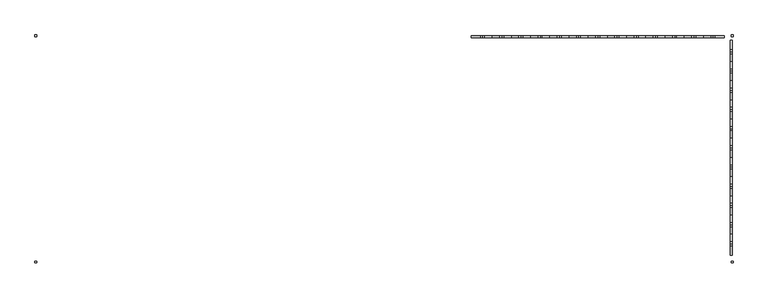
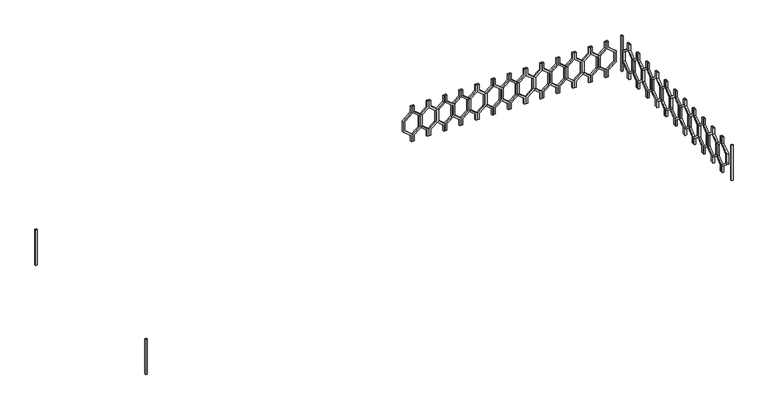
"""IFC4 building model written with IfcOpenShell, lengths in millimetres: railing geometry."""

from ifc_helpers import new_model, si_unit, frame, origin, place, context, project, spatial, polyline, outline, extrude, source, transform, mapped, element, save


def railing_ead4fba6(model_context):
    return source(origin(), model_context, "Body", "SweptSolid", [
        extrude(outline(polyline([(22060.0, -43314.9887159), (22060.0, -43334.9887159), (21980.0, -43334.9887159), (21900.0, -43433.9836653), (21760.0, -43433.9836653), (21680.0, -43334.9887159), (21600.0, -43334.9887159), (21600.0, -43314.9887159), (21689.551845, -43314.9887159), (21769.551845, -43413.9836653), (21890.448155, -43413.9836653), (21970.448155, -43314.9887159), (22060.0, -43314.9887159)])), frame((0.0, 3248.1079487, 0.0), z_axis=(0.0, 1.0, 0.0), x_axis=(0.0, 0.0, 1.0)), (0.0, 0.0, 1.0), 20.0),
        extrude(outline(polyline([(22060.0, -43314.9887159), (21970.448155, -43314.9887159), (21890.448155, -43215.9937665), (21769.551845, -43215.9937665), (21689.551845, -43314.9887159), (21600.0, -43314.9887159), (21600.0, -43294.9887159), (21680.0, -43294.9887159), (21760.0, -43195.9937665), (21900.0, -43195.9937665), (21980.0, -43294.9887159), (22060.0, -43294.9887159), (22060.0, -43314.9887159)])), frame((0.0, 3248.1079487, 0.0), z_axis=(0.0, 1.0, 0.0), x_axis=(0.0, 0.0, 1.0)), (0.0, 0.0, 1.0), 20.0),
        extrude(outline(polyline([(22060.0, -43114.9887159), (22060.0, -43134.9887159), (21980.0, -43134.9887159), (21900.0, -43233.9836653), (21760.0, -43233.9836653), (21680.0, -43134.9887159), (21600.0, -43134.9887159), (21600.0, -43114.9887159), (21689.551845, -43114.9887159), (21769.551845, -43213.9836653), (21890.448155, -43213.9836653), (21970.448155, -43114.9887159), (22060.0, -43114.9887159)])), frame((0.0, 3248.1079487, 0.0), z_axis=(0.0, 1.0, 0.0), x_axis=(0.0, 0.0, 1.0)), (0.0, 0.0, 1.0), 20.0),
        extrude(outline(polyline([(22060.0, -43114.9887159), (21970.448155, -43114.9887159), (21890.448155, -43015.9937665), (21769.551845, -43015.9937665), (21689.551845, -43114.9887159), (21600.0, -43114.9887159), (21600.0, -43094.9887159), (21680.0, -43094.9887159), (21760.0, -42995.9937665), (21900.0, -42995.9937665), (21980.0, -43094.9887159), (22060.0, -43094.9887159), (22060.0, -43114.9887159)])), frame((0.0, 3248.1079487, 0.0), z_axis=(0.0, 1.0, 0.0), x_axis=(0.0, 0.0, 1.0)), (0.0, 0.0, 1.0), 20.0),
        extrude(outline(polyline([(22060.0, -42914.9887159), (22060.0, -42934.9887159), (21980.0, -42934.9887159), (21900.0, -43033.9836653), (21760.0, -43033.9836653), (21680.0, -42934.9887159), (21600.0, -42934.9887159), (21600.0, -42914.9887159), (21689.551845, -42914.9887159), (21769.551845, -43013.9836653), (21890.448155, -43013.9836653), (21970.448155, -42914.9887159), (22060.0, -42914.9887159)])), frame((0.0, 3248.1079487, 0.0), z_axis=(0.0, 1.0, 0.0), x_axis=(0.0, 0.0, 1.0)), (0.0, 0.0, 1.0), 20.0),
        extrude(outline(polyline([(22060.0, -42914.9887159), (21970.448155, -42914.9887159), (21890.448155, -42815.9937665), (21769.551845, -42815.9937665), (21689.551845, -42914.9887159), (21600.0, -42914.9887159), (21600.0, -42894.9887159), (21680.0, -42894.9887159), (21760.0, -42795.9937665), (21900.0, -42795.9937665), (21980.0, -42894.9887159), (22060.0, -42894.9887159), (22060.0, -42914.9887159)])), frame((0.0, 3248.1079487, 0.0), z_axis=(0.0, 1.0, 0.0), x_axis=(0.0, 0.0, 1.0)), (0.0, 0.0, 1.0), 20.0),
        extrude(outline(polyline([(22060.0, -42714.9887159), (22060.0, -42734.9887159), (21980.0, -42734.9887159), (21900.0, -42833.9836653), (21760.0, -42833.9836653), (21680.0, -42734.9887159), (21600.0, -42734.9887159), (21600.0, -42714.9887159), (21689.551845, -42714.9887159), (21769.551845, -42813.9836653), (21890.448155, -42813.9836653), (21970.448155, -42714.9887159), (22060.0, -42714.9887159)])), frame((0.0, 3248.1079487, 0.0), z_axis=(0.0, 1.0, 0.0), x_axis=(0.0, 0.0, 1.0)), (0.0, 0.0, 1.0), 20.0),
        extrude(outline(polyline([(22060.0, -42714.9887159), (21970.448155, -42714.9887159), (21890.448155, -42615.9937665), (21769.551845, -42615.9937665), (21689.551845, -42714.9887159), (21600.0, -42714.9887159), (21600.0, -42694.9887159), (21680.0, -42694.9887159), (21760.0, -42595.9937665), (21900.0, -42595.9937665), (21980.0, -42694.9887159), (22060.0, -42694.9887159), (22060.0, -42714.9887159)])), frame((0.0, 3248.1079487, 0.0), z_axis=(0.0, 1.0, 0.0), x_axis=(0.0, 0.0, 1.0)), (0.0, 0.0, 1.0), 20.0),
        extrude(outline(polyline([(22060.0, -42514.9887159), (22060.0, -42534.9887159), (21980.0, -42534.9887159), (21900.0, -42633.9836653), (21760.0, -42633.9836653), (21680.0, -42534.9887159), (21600.0, -42534.9887159), (21600.0, -42514.9887159), (21689.551845, -42514.9887159), (21769.551845, -42613.9836653), (21890.448155, -42613.9836653), (21970.448155, -42514.9887159), (22060.0, -42514.9887159)])), frame((0.0, 3248.1079487, 0.0), z_axis=(0.0, 1.0, 0.0), x_axis=(0.0, 0.0, 1.0)), (0.0, 0.0, 1.0), 20.0),
        extrude(outline(polyline([(22060.0, -42514.9887159), (21970.448155, -42514.9887159), (21890.448155, -42415.9937665), (21769.551845, -42415.9937665), (21689.551845, -42514.9887159), (21600.0, -42514.9887159), (21600.0, -42494.9887159), (21680.0, -42494.9887159), (21760.0, -42395.9937665), (21900.0, -42395.9937665), (21980.0, -42494.9887159), (22060.0, -42494.9887159), (22060.0, -42514.9887159)])), frame((0.0, 3248.1079487, 0.0), z_axis=(0.0, 1.0, 0.0), x_axis=(0.0, 0.0, 1.0)), (0.0, 0.0, 1.0), 20.0),
        extrude(outline(polyline([(22060.0, -42314.9887159), (22060.0, -42334.9887159), (21980.0, -42334.9887159), (21900.0, -42433.9836653), (21760.0, -42433.9836653), (21680.0, -42334.9887159), (21600.0, -42334.9887159), (21600.0, -42314.9887159), (21689.551845, -42314.9887159), (21769.551845, -42413.9836653), (21890.448155, -42413.9836653), (21970.448155, -42314.9887159), (22060.0, -42314.9887159)])), frame((0.0, 3248.1079487, 0.0), z_axis=(0.0, 1.0, 0.0), x_axis=(0.0, 0.0, 1.0)), (0.0, 0.0, 1.0), 20.0),
        extrude(outline(polyline([(22060.0, -42314.9887159), (21970.448155, -42314.9887159), (21890.448155, -42215.9937665), (21769.551845, -42215.9937665), (21689.551845, -42314.9887159), (21600.0, -42314.9887159), (21600.0, -42294.9887159), (21680.0, -42294.9887159), (21760.0, -42195.9937665), (21900.0, -42195.9937665), (21980.0, -42294.9887159), (22060.0, -42294.9887159), (22060.0, -42314.9887159)])), frame((0.0, 3248.1079487, 0.0), z_axis=(0.0, 1.0, 0.0), x_axis=(0.0, 0.0, 1.0)), (0.0, 0.0, 1.0), 20.0),
        extrude(outline(polyline([(22060.0, -42114.9887159), (22060.0, -42134.9887159), (21980.0, -42134.9887159), (21900.0, -42233.9836653), (21760.0, -42233.9836653), (21680.0, -42134.9887159), (21600.0, -42134.9887159), (21600.0, -42114.9887159), (21689.551845, -42114.9887159), (21769.551845, -42213.9836653), (21890.448155, -42213.9836653), (21970.448155, -42114.9887159), (22060.0, -42114.9887159)])), frame((0.0, 3248.1079487, 0.0), z_axis=(0.0, 1.0, 0.0), x_axis=(0.0, 0.0, 1.0)), (0.0, 0.0, 1.0), 20.0),
        extrude(outline(polyline([(22060.0, -42114.9887159), (21970.448155, -42114.9887159), (21890.448155, -42015.9937665), (21769.551845, -42015.9937665), (21689.551845, -42114.9887159), (21600.0, -42114.9887159), (21600.0, -42094.9887159), (21680.0, -42094.9887159), (21760.0, -41995.9937665), (21900.0, -41995.9937665), (21980.0, -42094.9887159), (22060.0, -42094.9887159), (22060.0, -42114.9887159)])), frame((0.0, 3248.1079487, 0.0), z_axis=(0.0, 1.0, 0.0), x_axis=(0.0, 0.0, 1.0)), (0.0, 0.0, 1.0), 20.0),
        extrude(outline(polyline([(22060.0, -41914.9887159), (22060.0, -41934.9887159), (21980.0, -41934.9887159), (21900.0, -42033.9836653), (21760.0, -42033.9836653), (21680.0, -41934.9887159), (21600.0, -41934.9887159), (21600.0, -41914.9887159), (21689.551845, -41914.9887159), (21769.551845, -42013.9836653), (21890.448155, -42013.9836653), (21970.448155, -41914.9887159), (22060.0, -41914.9887159)])), frame((0.0, 3248.1079487, 0.0), z_axis=(0.0, 1.0, 0.0), x_axis=(0.0, 0.0, 1.0)), (0.0, 0.0, 1.0), 20.0),
        extrude(outline(polyline([(22060.0, -41914.9887159), (21970.448155, -41914.9887159), (21890.448155, -41815.9937665), (21769.551845, -41815.9937665), (21689.551845, -41914.9887159), (21600.0, -41914.9887159), (21600.0, -41894.9887159), (21680.0, -41894.9887159), (21760.0, -41795.9937665), (21900.0, -41795.9937665), (21980.0, -41894.9887159), (22060.0, -41894.9887159), (22060.0, -41914.9887159)])), frame((0.0, 3248.1079487, 0.0), z_axis=(0.0, 1.0, 0.0), x_axis=(0.0, 0.0, 1.0)), (0.0, 0.0, 1.0), 20.0),
        extrude(outline(polyline([(22060.0, -41714.9887159), (22060.0, -41734.9887159), (21980.0, -41734.9887159), (21900.0, -41833.9836653), (21760.0, -41833.9836653), (21680.0, -41734.9887159), (21600.0, -41734.9887159), (21600.0, -41714.9887159), (21689.551845, -41714.9887159), (21769.551845, -41813.9836653), (21890.448155, -41813.9836653), (21970.448155, -41714.9887159), (22060.0, -41714.9887159)])), frame((0.0, 3248.1079487, 0.0), z_axis=(0.0, 1.0, 0.0), x_axis=(0.0, 0.0, 1.0)), (0.0, 0.0, 1.0), 20.0),
        extrude(outline(polyline([(22060.0, -41714.9887159), (21970.448155, -41714.9887159), (21890.448155, -41615.9937665), (21769.551845, -41615.9937665), (21689.551845, -41714.9887159), (21600.0, -41714.9887159), (21600.0, -41694.9887159), (21680.0, -41694.9887159), (21760.0, -41595.9937665), (21900.0, -41595.9937665), (21980.0, -41694.9887159), (22060.0, -41694.9887159), (22060.0, -41714.9887159)])), frame((0.0, 3248.1079487, 0.0), z_axis=(0.0, 1.0, 0.0), x_axis=(0.0, 0.0, 1.0)), (0.0, 0.0, 1.0), 20.0),
        extrude(outline(polyline([(22060.0, -41514.9887159), (22060.0, -41534.9887159), (21980.0, -41534.9887159), (21900.0, -41633.9836653), (21760.0, -41633.9836653), (21680.0, -41534.9887159), (21600.0, -41534.9887159), (21600.0, -41514.9887159), (21689.551845, -41514.9887159), (21769.551845, -41613.9836653), (21890.448155, -41613.9836653), (21970.448155, -41514.9887159), (22060.0, -41514.9887159)])), frame((0.0, 3248.1079487, 0.0), z_axis=(0.0, 1.0, 0.0), x_axis=(0.0, 0.0, 1.0)), (0.0, 0.0, 1.0), 20.0),
        extrude(outline(polyline([(22060.0, -41514.9887159), (21970.448155, -41514.9887159), (21890.448155, -41415.9937665), (21769.551845, -41415.9937665), (21689.551845, -41514.9887159), (21600.0, -41514.9887159), (21600.0, -41494.9887159), (21680.0, -41494.9887159), (21760.0, -41395.9937665), (21900.0, -41395.9937665), (21980.0, -41494.9887159), (22060.0, -41494.9887159), (22060.0, -41514.9887159)])), frame((0.0, 3248.1079487, 0.0), z_axis=(0.0, 1.0, 0.0), x_axis=(0.0, 0.0, 1.0)), (0.0, 0.0, 1.0), 20.0),
        extrude(outline(polyline([(22060.0, -41314.9887159), (22060.0, -41334.9887159), (21980.0, -41334.9887159), (21900.0, -41433.9836653), (21760.0, -41433.9836653), (21680.0, -41334.9887159), (21600.0, -41334.9887159), (21600.0, -41314.9887159), (21689.551845, -41314.9887159), (21769.551845, -41413.9836653), (21890.448155, -41413.9836653), (21970.448155, -41314.9887159), (22060.0, -41314.9887159)])), frame((0.0, 3248.1079487, 0.0), z_axis=(0.0, 1.0, 0.0), x_axis=(0.0, 0.0, 1.0)), (0.0, 0.0, 1.0), 20.0),
        extrude(outline(polyline([(22060.0, -41314.9887159), (21970.448155, -41314.9887159), (21890.448155, -41215.9937665), (21769.551845, -41215.9937665), (21689.551845, -41314.9887159), (21600.0, -41314.9887159), (21600.0, -41294.9887159), (21680.0, -41294.9887159), (21760.0, -41195.9937665), (21900.0, -41195.9937665), (21980.0, -41294.9887159), (22060.0, -41294.9887159), (22060.0, -41314.9887159)])), frame((0.0, 3248.1079487, 0.0), z_axis=(0.0, 1.0, 0.0), x_axis=(0.0, 0.0, 1.0)), (0.0, 0.0, 1.0), 20.0),
        extrude(outline(polyline([(22060.0, -41114.9887159), (22060.0, -41134.9887159), (21980.0, -41134.9887159), (21900.0, -41233.9836653), (21760.0, -41233.9836653), (21680.0, -41134.9887159), (21600.0, -41134.9887159), (21600.0, -41114.9887159), (21689.551845, -41114.9887159), (21769.551845, -41213.9836653), (21890.448155, -41213.9836653), (21970.448155, -41114.9887159), (22060.0, -41114.9887159)])), frame((0.0, 3248.1079487, 0.0), z_axis=(0.0, 1.0, 0.0), x_axis=(0.0, 0.0, 1.0)), (0.0, 0.0, 1.0), 20.0),
        extrude(outline(polyline([(22060.0, -41114.9887159), (21970.448155, -41114.9887159), (21890.448155, -41015.9937665), (21769.551845, -41015.9937665), (21689.551845, -41114.9887159), (21600.0, -41114.9887159), (21600.0, -41094.9887159), (21680.0, -41094.9887159), (21760.0, -40995.9937665), (21900.0, -40995.9937665), (21980.0, -41094.9887159), (22060.0, -41094.9887159), (22060.0, -41114.9887159)])), frame((0.0, 3248.1079487, 0.0), z_axis=(0.0, 1.0, 0.0), x_axis=(0.0, 0.0, 1.0)), (0.0, 0.0, 1.0), 20.0),
        extrude(outline(polyline([(22060.0, -40914.9887159), (22060.0, -40934.9887159), (21980.0, -40934.9887159), (21900.0, -41033.9836653), (21760.0, -41033.9836653), (21680.0, -40934.9887159), (21600.0, -40934.9887159), (21600.0, -40914.9887159), (21689.551845, -40914.9887159), (21769.551845, -41013.9836653), (21890.448155, -41013.9836653), (21970.448155, -40914.9887159), (22060.0, -40914.9887159)])), frame((0.0, 3248.1079487, 0.0), z_axis=(0.0, 1.0, 0.0), x_axis=(0.0, 0.0, 1.0)), (0.0, 0.0, 1.0), 20.0),
        extrude(outline(polyline([(22060.0, -40914.9887159), (21970.448155, -40914.9887159), (21890.448155, -40815.9937665), (21769.551845, -40815.9937665), (21689.551845, -40914.9887159), (21600.0, -40914.9887159), (21600.0, -40894.9887159), (21680.0, -40894.9887159), (21760.0, -40795.9937665), (21900.0, -40795.9937665), (21980.0, -40894.9887159), (22060.0, -40894.9887159), (22060.0, -40914.9887159)])), frame((0.0, 3248.1079487, 0.0), z_axis=(0.0, 1.0, 0.0), x_axis=(0.0, 0.0, 1.0)), (0.0, 0.0, 1.0), 20.0),
        extrude(outline(polyline([(3103.1079487, 22060.0), (3123.1079487, 22060.0), (3123.1079487, 21980.0), (3222.102898, 21900.0), (3222.102898, 21760.0), (3123.1079487, 21680.0), (3123.1079487, 21600.0), (3103.1079487, 21600.0), (3103.1079487, 21689.551845), (3202.102898, 21769.551845), (3202.102898, 21890.448155), (3103.1079487, 21970.448155), (3103.1079487, 22060.0)])), frame((-40734.9887159, 0.0, 0.0), z_axis=(1.0, 0.0, 0.0), x_axis=(0.0, 1.0, 0.0)), (0.0, 0.0, 1.0), 20.0),
        extrude(outline(polyline([(3103.1079487, 22060.0), (3103.1079487, 21970.448155), (3004.1129993, 21890.448155), (3004.1129993, 21769.551845), (3103.1079487, 21689.551845), (3103.1079487, 21600.0), (3083.1079487, 21600.0), (3083.1079487, 21680.0), (2984.1129993, 21760.0), (2984.1129993, 21900.0), (3083.1079487, 21980.0), (3083.1079487, 22060.0), (3103.1079487, 22060.0)])), frame((-40734.9887159, 0.0, 0.0), z_axis=(1.0, 0.0, 0.0), x_axis=(0.0, 1.0, 0.0)), (0.0, 0.0, 1.0), 20.0),
        extrude(outline(polyline([(2903.1079487, 22060.0), (2923.1079487, 22060.0), (2923.1079487, 21980.0), (3022.102898, 21900.0), (3022.102898, 21760.0), (2923.1079487, 21680.0), (2923.1079487, 21600.0), (2903.1079487, 21600.0), (2903.1079487, 21689.551845), (3002.102898, 21769.551845), (3002.102898, 21890.448155), (2903.1079487, 21970.448155), (2903.1079487, 22060.0)])), frame((-40734.9887159, 0.0, 0.0), z_axis=(1.0, 0.0, 0.0), x_axis=(0.0, 1.0, 0.0)), (0.0, 0.0, 1.0), 20.0),
        extrude(outline(polyline([(2903.1079487, 22060.0), (2903.1079487, 21970.448155), (2804.1129993, 21890.448155), (2804.1129993, 21769.551845), (2903.1079487, 21689.551845), (2903.1079487, 21600.0), (2883.1079487, 21600.0), (2883.1079487, 21680.0), (2784.1129993, 21760.0), (2784.1129993, 21900.0), (2883.1079487, 21980.0), (2883.1079487, 22060.0), (2903.1079487, 22060.0)])), frame((-40734.9887159, 0.0, 0.0), z_axis=(1.0, 0.0, 0.0), x_axis=(0.0, 1.0, 0.0)), (0.0, 0.0, 1.0), 20.0),
        extrude(outline(polyline([(2703.1079487, 22060.0), (2723.1079487, 22060.0), (2723.1079487, 21980.0), (2822.102898, 21900.0), (2822.102898, 21760.0), (2723.1079487, 21680.0), (2723.1079487, 21600.0), (2703.1079487, 21600.0), (2703.1079487, 21689.551845), (2802.102898, 21769.551845), (2802.102898, 21890.448155), (2703.1079487, 21970.448155), (2703.1079487, 22060.0)])), frame((-40734.9887159, 0.0, 0.0), z_axis=(1.0, 0.0, 0.0), x_axis=(0.0, 1.0, 0.0)), (0.0, 0.0, 1.0), 20.0),
        extrude(outline(polyline([(2703.1079487, 22060.0), (2703.1079487, 21970.448155), (2604.1129993, 21890.448155), (2604.1129993, 21769.551845), (2703.1079487, 21689.551845), (2703.1079487, 21600.0), (2683.1079487, 21600.0), (2683.1079487, 21680.0), (2584.1129993, 21760.0), (2584.1129993, 21900.0), (2683.1079487, 21980.0), (2683.1079487, 22060.0), (2703.1079487, 22060.0)])), frame((-40734.9887159, 0.0, 0.0), z_axis=(1.0, 0.0, 0.0), x_axis=(0.0, 1.0, 0.0)), (0.0, 0.0, 1.0), 20.0),
        extrude(outline(polyline([(2503.1079487, 22060.0), (2523.1079487, 22060.0), (2523.1079487, 21980.0), (2622.102898, 21900.0), (2622.102898, 21760.0), (2523.1079487, 21680.0), (2523.1079487, 21600.0), (2503.1079487, 21600.0), (2503.1079487, 21689.551845), (2602.102898, 21769.551845), (2602.102898, 21890.448155), (2503.1079487, 21970.448155), (2503.1079487, 22060.0)])), frame((-40734.9887159, 0.0, 0.0), z_axis=(1.0, 0.0, 0.0), x_axis=(0.0, 1.0, 0.0)), (0.0, 0.0, 1.0), 20.0),
        extrude(outline(polyline([(2503.1079487, 22060.0), (2503.1079487, 21970.448155), (2404.1129993, 21890.448155), (2404.1129993, 21769.551845), (2503.1079487, 21689.551845), (2503.1079487, 21600.0), (2483.1079487, 21600.0), (2483.1079487, 21680.0), (2384.1129993, 21760.0), (2384.1129993, 21900.0), (2483.1079487, 21980.0), (2483.1079487, 22060.0), (2503.1079487, 22060.0)])), frame((-40734.9887159, 0.0, 0.0), z_axis=(1.0, 0.0, 0.0), x_axis=(0.0, 1.0, 0.0)), (0.0, 0.0, 1.0), 20.0),
        extrude(outline(polyline([(2303.1079487, 22060.0), (2323.1079487, 22060.0), (2323.1079487, 21980.0), (2422.102898, 21900.0), (2422.102898, 21760.0), (2323.1079487, 21680.0), (2323.1079487, 21600.0), (2303.1079487, 21600.0), (2303.1079487, 21689.551845), (2402.102898, 21769.551845), (2402.102898, 21890.448155), (2303.1079487, 21970.448155), (2303.1079487, 22060.0)])), frame((-40734.9887159, 0.0, 0.0), z_axis=(1.0, 0.0, 0.0), x_axis=(0.0, 1.0, 0.0)), (0.0, 0.0, 1.0), 20.0),
        extrude(outline(polyline([(2303.1079487, 22060.0), (2303.1079487, 21970.448155), (2204.1129993, 21890.448155), (2204.1129993, 21769.551845), (2303.1079487, 21689.551845), (2303.1079487, 21600.0), (2283.1079487, 21600.0), (2283.1079487, 21680.0), (2184.1129993, 21760.0), (2184.1129993, 21900.0), (2283.1079487, 21980.0), (2283.1079487, 22060.0), (2303.1079487, 22060.0)])), frame((-40734.9887159, 0.0, 0.0), z_axis=(1.0, 0.0, 0.0), x_axis=(0.0, 1.0, 0.0)), (0.0, 0.0, 1.0), 20.0),
        extrude(outline(polyline([(2103.1079487, 22060.0), (2123.1079487, 22060.0), (2123.1079487, 21980.0), (2222.102898, 21900.0), (2222.102898, 21760.0), (2123.1079487, 21680.0), (2123.1079487, 21600.0), (2103.1079487, 21600.0), (2103.1079487, 21689.551845), (2202.102898, 21769.551845), (2202.102898, 21890.448155), (2103.1079487, 21970.448155), (2103.1079487, 22060.0)])), frame((-40734.9887159, 0.0, 0.0), z_axis=(1.0, 0.0, 0.0), x_axis=(0.0, 1.0, 0.0)), (0.0, 0.0, 1.0), 20.0),
        extrude(outline(polyline([(2103.1079487, 22060.0), (2103.1079487, 21970.448155), (2004.1129993, 21890.448155), (2004.1129993, 21769.551845), (2103.1079487, 21689.551845), (2103.1079487, 21600.0), (2083.1079487, 21600.0), (2083.1079487, 21680.0), (1984.1129993, 21760.0), (1984.1129993, 21900.0), (2083.1079487, 21980.0), (2083.1079487, 22060.0), (2103.1079487, 22060.0)])), frame((-40734.9887159, 0.0, 0.0), z_axis=(1.0, 0.0, 0.0), x_axis=(0.0, 1.0, 0.0)), (0.0, 0.0, 1.0), 20.0),
        extrude(outline(polyline([(1903.1079487, 22060.0), (1923.1079487, 22060.0), (1923.1079487, 21980.0), (2022.102898, 21900.0), (2022.102898, 21760.0), (1923.1079487, 21680.0), (1923.1079487, 21600.0), (1903.1079487, 21600.0), (1903.1079487, 21689.551845), (2002.102898, 21769.551845), (2002.102898, 21890.448155), (1903.1079487, 21970.448155), (1903.1079487, 22060.0)])), frame((-40734.9887159, 0.0, 0.0), z_axis=(1.0, 0.0, 0.0), x_axis=(0.0, 1.0, 0.0)), (0.0, 0.0, 1.0), 20.0),
        extrude(outline(polyline([(1903.1079487, 22060.0), (1903.1079487, 21970.448155), (1804.1129993, 21890.448155), (1804.1129993, 21769.551845), (1903.1079487, 21689.551845), (1903.1079487, 21600.0), (1883.1079487, 21600.0), (1883.1079487, 21680.0), (1784.1129993, 21760.0), (1784.1129993, 21900.0), (1883.1079487, 21980.0), (1883.1079487, 22060.0), (1903.1079487, 22060.0)])), frame((-40734.9887159, 0.0, 0.0), z_axis=(1.0, 0.0, 0.0), x_axis=(0.0, 1.0, 0.0)), (0.0, 0.0, 1.0), 20.0),
        extrude(outline(polyline([(1703.1079487, 22060.0), (1723.1079487, 22060.0), (1723.1079487, 21980.0), (1822.102898, 21900.0), (1822.102898, 21760.0), (1723.1079487, 21680.0), (1723.1079487, 21600.0), (1703.1079487, 21600.0), (1703.1079487, 21689.551845), (1802.102898, 21769.551845), (1802.102898, 21890.448155), (1703.1079487, 21970.448155), (1703.1079487, 22060.0)])), frame((-40734.9887159, 0.0, 0.0), z_axis=(1.0, 0.0, 0.0), x_axis=(0.0, 1.0, 0.0)), (0.0, 0.0, 1.0), 20.0),
        extrude(outline(polyline([(1703.1079487, 22060.0), (1703.1079487, 21970.448155), (1604.1129993, 21890.448155), (1604.1129993, 21769.551845), (1703.1079487, 21689.551845), (1703.1079487, 21600.0), (1683.1079487, 21600.0), (1683.1079487, 21680.0), (1584.1129993, 21760.0), (1584.1129993, 21900.0), (1683.1079487, 21980.0), (1683.1079487, 22060.0), (1703.1079487, 22060.0)])), frame((-40734.9887159, 0.0, 0.0), z_axis=(1.0, 0.0, 0.0), x_axis=(0.0, 1.0, 0.0)), (0.0, 0.0, 1.0), 20.0),
        extrude(outline(polyline([(1503.1079487, 22060.0), (1523.1079487, 22060.0), (1523.1079487, 21980.0), (1622.102898, 21900.0), (1622.102898, 21760.0), (1523.1079487, 21680.0), (1523.1079487, 21600.0), (1503.1079487, 21600.0), (1503.1079487, 21689.551845), (1602.102898, 21769.551845), (1602.102898, 21890.448155), (1503.1079487, 21970.448155), (1503.1079487, 22060.0)])), frame((-40734.9887159, 0.0, 0.0), z_axis=(1.0, 0.0, 0.0), x_axis=(0.0, 1.0, 0.0)), (0.0, 0.0, 1.0), 20.0),
        extrude(outline(polyline([(1503.1079487, 22060.0), (1503.1079487, 21970.448155), (1404.1129993, 21890.448155), (1404.1129993, 21769.551845), (1503.1079487, 21689.551845), (1503.1079487, 21600.0), (1483.1079487, 21600.0), (1483.1079487, 21680.0), (1384.1129993, 21760.0), (1384.1129993, 21900.0), (1483.1079487, 21980.0), (1483.1079487, 22060.0), (1503.1079487, 22060.0)])), frame((-40734.9887159, 0.0, 0.0), z_axis=(1.0, 0.0, 0.0), x_axis=(0.0, 1.0, 0.0)), (0.0, 0.0, 1.0), 20.0),
        extrude(outline(polyline([(1303.1079487, 22060.0), (1323.1079487, 22060.0), (1323.1079487, 21980.0), (1422.102898, 21900.0), (1422.102898, 21760.0), (1323.1079487, 21680.0), (1323.1079487, 21600.0), (1303.1079487, 21600.0), (1303.1079487, 21689.551845), (1402.102898, 21769.551845), (1402.102898, 21890.448155), (1303.1079487, 21970.448155), (1303.1079487, 22060.0)])), frame((-40734.9887159, 0.0, 0.0), z_axis=(1.0, 0.0, 0.0), x_axis=(0.0, 1.0, 0.0)), (0.0, 0.0, 1.0), 20.0),
        extrude(outline(polyline([(1303.1079487, 22060.0), (1303.1079487, 21970.448155), (1204.1129993, 21890.448155), (1204.1129993, 21769.551845), (1303.1079487, 21689.551845), (1303.1079487, 21600.0), (1283.1079487, 21600.0), (1283.1079487, 21680.0), (1184.1129993, 21760.0), (1184.1129993, 21900.0), (1283.1079487, 21980.0), (1283.1079487, 22060.0), (1303.1079487, 22060.0)])), frame((-40734.9887159, 0.0, 0.0), z_axis=(1.0, 0.0, 0.0), x_axis=(0.0, 1.0, 0.0)), (0.0, 0.0, 1.0), 20.0),
        extrude(outline(polyline([(1103.1079487, 22060.0), (1123.1079487, 22060.0), (1123.1079487, 21980.0), (1222.102898, 21900.0), (1222.102898, 21760.0), (1123.1079487, 21680.0), (1123.1079487, 21600.0), (1103.1079487, 21600.0), (1103.1079487, 21689.551845), (1202.102898, 21769.551845), (1202.102898, 21890.448155), (1103.1079487, 21970.448155), (1103.1079487, 22060.0)])), frame((-40734.9887159, 0.0, 0.0), z_axis=(1.0, 0.0, 0.0), x_axis=(0.0, 1.0, 0.0)), (0.0, 0.0, 1.0), 20.0),
        extrude(outline(polyline([(1103.1079487, 22060.0), (1103.1079487, 21970.448155), (1004.1129993, 21890.448155), (1004.1129993, 21769.551845), (1103.1079487, 21689.551845), (1103.1079487, 21600.0), (1083.1079487, 21600.0), (1083.1079487, 21680.0), (984.1129993, 21760.0), (984.1129993, 21900.0), (1083.1079487, 21980.0), (1083.1079487, 22060.0), (1103.1079487, 22060.0)])), frame((-40734.9887159, 0.0, 0.0), z_axis=(1.0, 0.0, 0.0), x_axis=(0.0, 1.0, 0.0)), (0.0, 0.0, 1.0), 20.0),
        extrude(outline(polyline([(-47954.9887159, 3278.1079487), (-47954.9887159, 3258.1079487), (-47974.9887159, 3258.1079487), (-47974.9887159, 3278.1079487), (-47954.9887159, 3278.1079487)])), frame((0.0, 0.0, 21600.0), z_axis=(0.0, 0.0, 1.0), x_axis=(1.0, 0.0, 0.0)), (0.0, 0.0, 1.0), 460.0),
        extrude(outline(polyline([(-40704.9887159, 3258.1079487), (-40724.9887159, 3258.1079487), (-40724.9887159, 3278.1079487), (-40704.9887159, 3278.1079487), (-40704.9887159, 3258.1079487)])), frame((0.0, 0.0, 21600.0), z_axis=(0.0, 0.0, 1.0), x_axis=(1.0, 0.0, 0.0)), (0.0, 0.0, 1.0), 460.0),
        extrude(outline(polyline([(-47974.9887159, 923.1079487), (-47954.9887159, 923.1079487), (-47954.9887159, 903.1079487), (-47974.9887159, 903.1079487), (-47974.9887159, 923.1079487)])), frame((0.0, 0.0, 21600.0), z_axis=(0.0, 0.0, 1.0), x_axis=(1.0, 0.0, 0.0)), (0.0, 0.0, 1.0), 460.0),
        extrude(outline(polyline([(-40704.9887159, 903.1079487), (-40724.9887159, 903.1079487), (-40724.9887159, 923.1079487), (-40704.9887159, 923.1079487), (-40704.9887159, 903.1079487)])), frame((0.0, 0.0, 21600.0), z_axis=(0.0, 0.0, 1.0), x_axis=(1.0, 0.0, 0.0)), (0.0, 0.0, 1.0), 460.0),
    ])


if __name__ == "__main__":
    model = new_model("IFC4")
    model_context = context("Model", 3, world=origin())
    ifc_project = project(units=[si_unit("LENGTHUNIT", "METRE", prefix="MILLI")], contexts=[model_context])
    site = spatial("IfcSite", under=ifc_project)
    building = spatial("IfcBuilding", under=site)
    placement = place(None, origin())
    railing_shape = railing_ead4fba6(model_context)
    element("IfcRailing", 1, at=placement, inside=building, context=model_context, shape_type="MappedRepresentation", body=[
        mapped(railing_shape, transform((0.0, 0.0, 0.0), x_axis=(1.0, 0.0, 0.0), y_axis=(0.0, 1.0, 0.0), z_axis=(0.0, 0.0, 1.0))),
    ])
    save(model, "model.ifc")
